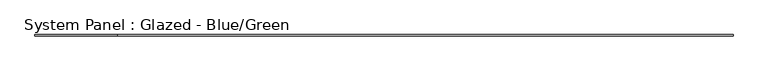
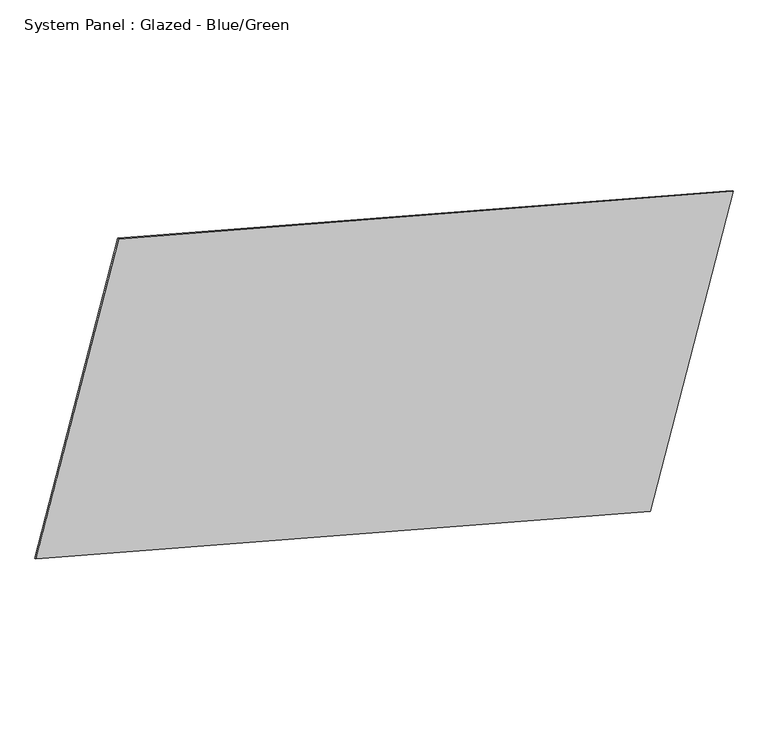
"""IFC4 building model written with IfcOpenShell, lengths in millimetres: plate geometry, System Panel : Glazed - Blue/Green."""

import ifcopenshell
import ifcopenshell.guid

model = None  # the IFC model being written
_history = None  # IfcOwnerHistory: only IFC2X3 demands one
_inside = {}  # id of a spatial element -> (the spatial element, [elements in it])
_under = {}  # id of a project, library or spatial element -> (it, [spatial elements below it])
_declared = {}  # id of a project -> (the project, [libraries it declares])
_typed = {}  # id of a type object -> (the type object, [elements of that type])
_made_of = {}  # id of a material, layer set ... -> (it, [elements and type objects made of it])


def new_model(schema):
    """Start an empty IFC model of exactly this schema.

    Asked for "IFC4X3", IfcOpenShell would pick the latest addendum, in which some entities
    have other attributes; the version numbers below select the first issue.
    IFC2X3 requires an IfcOwnerHistory on every rooted entity: one is made here for all.
    """
    global model, _history
    if schema == "IFC4X3":
        model = ifcopenshell.file(schema_version=(4, 3, 0, 0))
    else:
        model = ifcopenshell.file(schema=schema)
    _inside.clear()
    _under.clear()
    _declared.clear()
    _typed.clear()
    _made_of.clear()
    _history = None
    if model.schema == "IFC2X3":
        org = make("IfcOrganization", Name="unknown")
        user = make(
            "IfcPersonAndOrganization",
            ThePerson=make("IfcPerson", FamilyName="unknown"),
            TheOrganization=org,
        )
        app = make(
            "IfcApplication",
            ApplicationDeveloper=org,
            Version="unknown",
            ApplicationFullName="unknown",
            ApplicationIdentifier="unknown",
        )
        _history = make(
            "IfcOwnerHistory",
            OwningUser=user,
            OwningApplication=app,
            ChangeAction="ADDED",
            CreationDate=0,
        )
    return model


def make(cls, **values):
    """One entity of the class cls with the attributes given. An attribute that is None is left unset."""
    return model.create_entity(
        cls, **{name: value for name, value in values.items() if value is not None}
    )


def rooted(cls, **values):
    """An entity with a GlobalId (a new one), such as an element, a storey or a relation."""
    return make(cls, GlobalId=ifcopenshell.guid.new(), OwnerHistory=_history, **values)


def si_unit(unit_type, name, prefix=None):
    """IfcSIUnit, for example si_unit("LENGTHUNIT", "METRE", prefix="MILLI")."""
    return make("IfcSIUnit", UnitType=unit_type, Prefix=prefix, Name=name)


def assignment(units):
    """IfcUnitAssignment: the units of a project."""
    return None if units is None else make("IfcUnitAssignment", Units=units)


def point(xyz):
    """IfcCartesianPoint."""
    return None if xyz is None else make("IfcCartesianPoint", Coordinates=xyz)


def direction(xyz):
    """IfcDirection."""
    return None if xyz is None else make("IfcDirection", DirectionRatios=xyz)


def frame(location, z_axis=None, x_axis=None):
    """IfcAxis2Placement3D, a coordinate frame: its origin and axes. An axis left out is left unset."""
    return make(
        "IfcAxis2Placement3D",
        Location=point(location),
        Axis=direction(z_axis),
        RefDirection=direction(x_axis),
    )


def origin():
    """The frame at (0, 0, 0) with its axes left unset."""
    return frame((0.0, 0.0, 0.0))


def place(relative_to, where):
    """IfcLocalPlacement: puts the frame where relative to a parent placement (None: the world)."""
    return make(
        "IfcLocalPlacement", PlacementRelTo=relative_to, RelativePlacement=where
    )


def context(
    kind, dimensions, precision=None, world=None, true_north=None, identifier=None
):
    """IfcGeometricRepresentationContext, for example the 3D "Model" context."""
    return make(
        "IfcGeometricRepresentationContext",
        ContextIdentifier=identifier,
        ContextType=kind,
        CoordinateSpaceDimension=dimensions,
        Precision=precision,
        WorldCoordinateSystem=world,
        TrueNorth=true_north,
    )


def project(units=None, contexts=None):
    """IfcProject with its units and contexts."""
    return rooted(
        "IfcProject",
        Name="project",
        RepresentationContexts=contexts,
        UnitsInContext=assignment(units),
    )


def spatial(cls, under=None, at=None, **own):
    """A site, building, storey or space (cls), placed at a placement, below another one or the project."""
    s = rooted(cls, ObjectPlacement=at, **own)
    if under is not None:
        _under.setdefault(under.id(), (under, []))[1].append(s)
    return s


def polyline(points):
    """IfcPolyline through the points."""
    return make("IfcPolyline", Points=[point(p) for p in points])


def outline(outer, holes=None, kind="AREA"):
    """IfcArbitraryClosedProfileDef: a profile drawn as a closed curve; with holes, ...WithVoids."""
    if holes is None:
        return make("IfcArbitraryClosedProfileDef", ProfileType=kind, OuterCurve=outer)
    return make(
        "IfcArbitraryProfileDefWithVoids",
        ProfileType=kind,
        OuterCurve=outer,
        InnerCurves=holes,
    )


def extrude(swept, where, along, depth):
    """IfcExtrudedAreaSolid: the profile swept, set in the frame where, extruded along a direction by depth."""
    return make(
        "IfcExtrudedAreaSolid",
        SweptArea=swept,
        Position=where,
        ExtrudedDirection=direction(along),
        Depth=depth,
    )


def shape(context_of_items, identifier, shape_type, items):
    """IfcShapeRepresentation: the items that make up one representation, for example the "Body"."""
    return make(
        "IfcShapeRepresentation",
        ContextOfItems=context_of_items,
        RepresentationIdentifier=identifier,
        RepresentationType=shape_type,
        Items=items,
    )


def source(mapping_origin, context_of_items, identifier, shape_type, items):
    """IfcRepresentationMap: a shape defined once, which mapped items show again and again."""
    return make(
        "IfcRepresentationMap",
        MappingOrigin=mapping_origin,
        MappedRepresentation=shape(context_of_items, identifier, shape_type, items),
    )


def transform(
    local_origin,
    x_axis=None,
    y_axis=None,
    z_axis=None,
    scale=None,
    scale2=None,
    scale3=None,
    uniform=True,
):
    """IfcCartesianTransformationOperator3D, or its non-uniform kind. x_axis, y_axis, z_axis: its Axis1, 2, 3."""
    if uniform:
        return make(
            "IfcCartesianTransformationOperator3D",
            Axis1=direction(x_axis),
            Axis2=direction(y_axis),
            LocalOrigin=point(local_origin),
            Scale=scale,
            Axis3=direction(z_axis),
        )
    return make(
        "IfcCartesianTransformationOperator3DnonUniform",
        Axis1=direction(x_axis),
        Axis2=direction(y_axis),
        LocalOrigin=point(local_origin),
        Scale=scale,
        Axis3=direction(z_axis),
        Scale2=scale2,
        Scale3=scale3,
    )


def mapped(mapping_source, mapping_target):
    """IfcMappedItem: shows the shape of a source again, moved by a transform."""
    return make(
        "IfcMappedItem", MappingSource=mapping_source, MappingTarget=mapping_target
    )


def made_of(thing, what):
    """Note that an element or type object is made of a material, layer set ...; save() writes the relation."""
    if what is not None:
        _made_of.setdefault(what.id(), (what, []))[1].append(thing)
    return thing


def element(
    cls,
    number,
    at=None,
    inside=None,
    cuts=None,
    type_object=None,
    material=None,
    context=None,
    identifier="Body",
    shape_type=None,
    held_by="IfcProductDefinitionShape",
    body=None,
    shapes=None,
    **own,
):
    """One element of the class cls, such as IfcWall. Its Tag is "e" and its number.

    at: its placement. inside: the storey or other place that contains it. cuts: it is an
    opening in that element (IfcRelVoidsElement). A single representation is given by context,
    identifier, shape_type and body (its items); several are given by shapes. held_by: the class
    of the entity that holds the representations. save() writes the other relations.
    """
    e = rooted(cls, Tag="e%d" % number, ObjectPlacement=at, **own)
    if body is not None:
        shapes = [shape(context, identifier, shape_type, body)]
    if shapes is not None:
        e.Representation = make(held_by, Representations=shapes)
    if inside is not None:
        _inside.setdefault(inside.id(), (inside, []))[1].append(e)
    if cuts is not None:
        rooted(
            "IfcRelVoidsElement", RelatingBuildingElement=cuts, RelatedOpeningElement=e
        )
    if type_object is not None:
        _typed.setdefault(type_object.id(), (type_object, []))[1].append(e)
    return made_of(e, material)


def aggregate(whole, parts):
    """IfcRelAggregates: a whole, such as a stair, and the parts it consists of."""
    return rooted("IfcRelAggregates", RelatingObject=whole, RelatedObjects=parts)


def save(model, path):
    """Write the relations noted so far, then the file.

    IfcRelAggregates (storeys below a building ...), IfcRelContainedInSpatialStructure (elements
    in a storey), IfcRelDefinesByType, IfcRelAssociatesMaterial and IfcRelDeclares: one each for
    every whole, place, type object, material and project.
    """
    for whole, parts in _under.values():
        aggregate(whole, parts)
    for where, things in _inside.values():
        rooted(
            "IfcRelContainedInSpatialStructure",
            RelatedElements=things,
            RelatingStructure=where,
        )
    for kind, things in _typed.values():
        rooted("IfcRelDefinesByType", RelatedObjects=things, RelatingType=kind)
    for what, things in _made_of.values():
        rooted("IfcRelAssociatesMaterial", RelatedObjects=things, RelatingMaterial=what)
    for by, libraries in _declared.values():
        rooted("IfcRelDeclares", RelatingContext=by, RelatedDefinitions=libraries)
    model.write(path)


def system_panel_glazed_blue_green_6d56b994(model_context):
    return source(origin(), model_context, "Body", "SweptSolid", [
        extrude(outline(polyline([(0.0, -12103.978899), (0.0, 0.0), (25.4, 0.0), (25.4, -12103.978899), (0.0, -12103.978899)])), frame((-6634.6533592, 19.05, 3132.7402606), z_axis=(0.2588190451025198, 0.0, 0.9659258262890686), x_axis=(0.0, 1.0, 0.0)), (0.0, 0.0, 1.0), 6096.0),
    ])


if __name__ == "__main__":
    model = new_model("IFC4")
    model_context = context("Model", 3, world=origin())
    ifc_project = project(units=[si_unit("LENGTHUNIT", "METRE", prefix="MILLI")], contexts=[model_context])
    site = spatial("IfcSite", under=ifc_project)
    building = spatial("IfcBuilding", under=site)
    placement = place(None, origin())
    system_panel_glazed_blue_green_shape = system_panel_glazed_blue_green_6d56b994(model_context)
    element("IfcPlate", 1, ObjectType="System Panel : Glazed - Blue/Green", at=placement, inside=building, context=model_context, shape_type="MappedRepresentation", body=[
        mapped(system_panel_glazed_blue_green_shape, transform((0.0, 0.0, 0.0), x_axis=(1.0, 0.0, 0.0), y_axis=(0.0, 1.0, 0.0), z_axis=(0.0, 0.0, 1.0))),
    ])
    save(model, "model.ifc")
